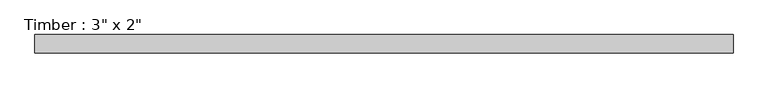
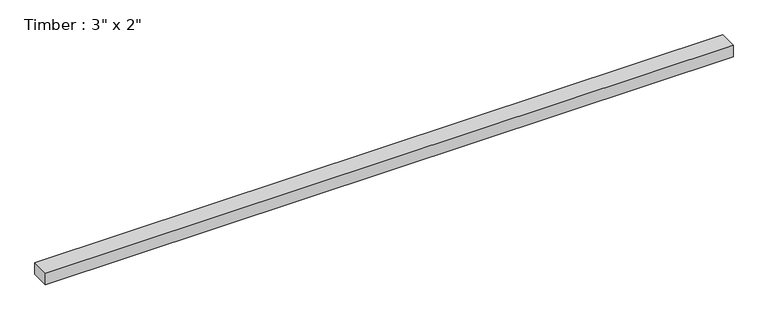
"""IFC4 building model written with IfcOpenShell, lengths in millimetres: beam geometry."""

from ifc_helpers import new_model, si_unit, frame, origin, place, context, project, spatial, polyline, outline, extrude, source, transform, mapped, element, save


def beam_ab88dccb(model_context):
    return source(origin(), model_context, "Body", "SweptSolid", [
        extrude(outline(polyline([(1435.6296065, 38.1), (1435.6296065, -38.1), (-1435.6296065, -38.1), (-1435.6296065, 38.1), (1435.6296065, 38.1)])), frame((0.0, 0.0, -25.4), z_axis=(0.0, 0.0, 1.0), x_axis=(1.0, 0.0, 0.0)), (0.0, 0.0, 1.0), 50.8),
    ])


if __name__ == "__main__":
    model = new_model("IFC4")
    model_context = context("Model", 3, world=origin())
    ifc_project = project(units=[si_unit("LENGTHUNIT", "METRE", prefix="MILLI")], contexts=[model_context])
    site = spatial("IfcSite", under=ifc_project)
    building = spatial("IfcBuilding", under=site)
    placement = place(None, origin())
    beam_shape = beam_ab88dccb(model_context)
    element("IfcBeam", 1, ObjectType="Timber : 3\" x 2\"", at=placement, inside=building, context=model_context, shape_type="MappedRepresentation", body=[
        mapped(beam_shape, transform((0.0, 0.0, 0.0), x_axis=(1.0, 0.0, 0.0), y_axis=(0.0, 1.0, 0.0), z_axis=(0.0, 0.0, 1.0))),
    ])
    save(model, "model.ifc")
